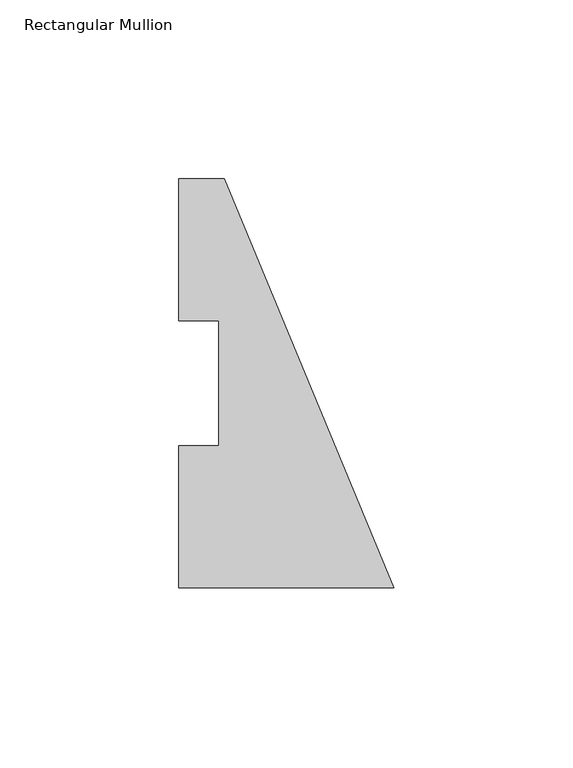
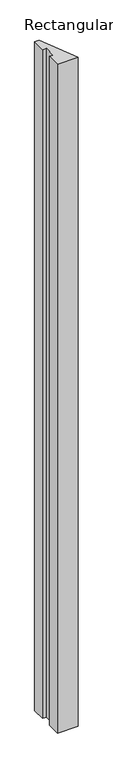
"""IFC4 building model written with IfcOpenShell, lengths in millimetres: member geometry, Rectangular Mullion."""

from ifc_helpers import new_model, si_unit, frame, origin, place, context, project, spatial, polyline, outline, extrude, source, transform, mapped, element, save


def rectangular_mullion_21b90a57(model_context):
    return source(origin(), model_context, "Body", "SweptSolid", [
        extrude(outline(polyline([(-60.0456, -0.028575), (-60.0456, 39.646225), (-48.9331, 39.646225), (-48.9331, 74.596625), (-60.0456, 74.596625), (-60.0456, 114.271425), (-47.3446102, 114.271425), (0.0, -0.028575), (-60.0456, -0.028575)])), frame((0.0, 0.0, -2063.7499762), z_axis=(0.0, 0.0, 1.0), x_axis=(1.0, 0.0, 0.0)), (0.0, 0.0, 1.0), 2063.7499762),
    ])


if __name__ == "__main__":
    model = new_model("IFC4")
    model_context = context("Model", 3, world=origin())
    ifc_project = project(units=[si_unit("LENGTHUNIT", "METRE", prefix="MILLI")], contexts=[model_context])
    site = spatial("IfcSite", under=ifc_project)
    building = spatial("IfcBuilding", under=site)
    placement = place(None, origin())
    rectangular_mullion_shape = rectangular_mullion_21b90a57(model_context)
    element("IfcMember", 1, ObjectType="Rectangular Mullion", at=placement, inside=building, context=model_context, shape_type="MappedRepresentation", body=[
        mapped(rectangular_mullion_shape, transform((0.0, 0.0, 0.0), x_axis=(1.0, 0.0, 0.0), y_axis=(0.0, 1.0, 0.0), z_axis=(0.0, 0.0, 1.0))),
    ])
    save(model, "model.ifc")
